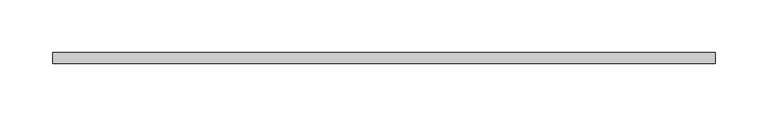
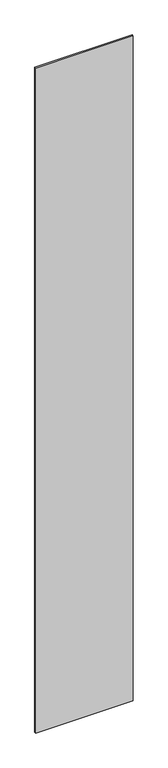
"""IFC4 building model written with IfcOpenShell, lengths in millimetres: plate geometry."""

from ifc_helpers import new_model, si_unit, origin, origin_with_axes, place, context, project, spatial, polyline, outline, extrude, source, transform, mapped, element, save


def plate_3e5d1ae1(model_context):
    return source(origin(), model_context, "Body", "SweptSolid", [
        extrude(outline(polyline([(312.5, -5.0), (-312.5, -5.0), (-312.5, 5.0), (312.5, 5.0), (312.5, -5.0)])), origin_with_axes(), (0.0, 0.0, 1.0), 4500.0),
    ])


if __name__ == "__main__":
    model = new_model("IFC4")
    model_context = context("Model", 3, world=origin())
    ifc_project = project(units=[si_unit("LENGTHUNIT", "METRE", prefix="MILLI")], contexts=[model_context])
    site = spatial("IfcSite", under=ifc_project)
    building = spatial("IfcBuilding", under=site)
    placement = place(None, origin())
    plate_shape = plate_3e5d1ae1(model_context)
    element("IfcPlate", 1, at=placement, inside=building, context=model_context, shape_type="MappedRepresentation", body=[
        mapped(plate_shape, transform((0.0, 0.0, 0.0), x_axis=(1.0, 0.0, 0.0), y_axis=(0.0, 1.0, 0.0), z_axis=(0.0, 0.0, 1.0))),
    ])
    save(model, "model.ifc")
